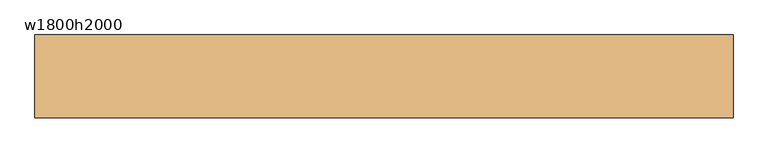
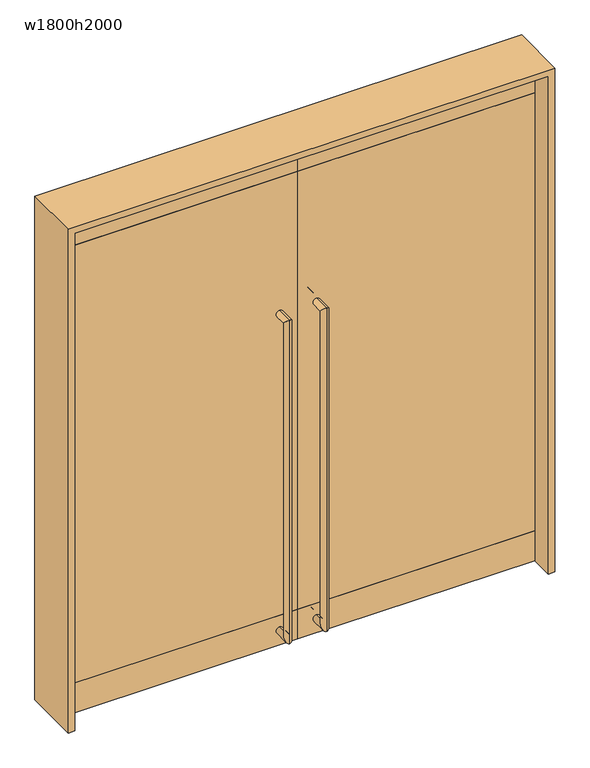
"""IFC4 building model written with IfcOpenShell, lengths in millimetres: door geometry, w1800h2000."""

from ifc_helpers import new_model, si_unit, frame, origin, origin_with_axes, place, context, project, spatial, polyline, circle_curve, ellipse_curve, outline, extrude, source, transform, mapped, element, save
from ifc_brep_helpers import plane_surface, cylinder_surface, advanced_brep


def w1800h2000_ad426c29(model_context):
    return source(origin(), model_context, "Body", "SolidModel", [
        extrude(outline(polyline([(900.0, 20.0), (900.0, -20.0), (0.0, -20.0), (0.0, 20.0), (900.0, 20.0)])), frame((0.0, 0.0, 120.0), z_axis=(0.0, 0.0, 1.0), x_axis=(1.0, 0.0, 0.0)), (0.0, 0.0, 1.0), 1760.0),
        extrude(outline(polyline([(900.0, -20.0), (0.0, -20.0), (0.0, 20.0), (900.0, 20.0), (900.0, -20.0)])), frame((0.0, 0.0, 1880.0), z_axis=(0.0, 0.0, 1.0), x_axis=(1.0, 0.0, 0.0)), (0.0, 0.0, 1.0), 120.0),
        extrude(outline(polyline([(900.0, -20.0), (0.0, -20.0), (0.0, 20.0), (900.0, 20.0), (900.0, -20.0)])), origin_with_axes(), (0.0, 0.0, 1.0), 120.0),
        extrude(outline(polyline([(0.0, 20.0), (0.0, -20.0), (-900.0, -20.0), (-900.0, 20.0), (0.0, 20.0)])), frame((0.0, 0.0, 120.0), z_axis=(0.0, 0.0, 1.0), x_axis=(1.0, 0.0, 0.0)), (0.0, 0.0, 1.0), 1760.0),
        extrude(outline(polyline([(0.0, -20.0), (-900.0, -20.0), (-900.0, 20.0), (0.0, 20.0), (0.0, -20.0)])), frame((0.0, 0.0, 1880.0), z_axis=(0.0, 0.0, 1.0), x_axis=(1.0, 0.0, 0.0)), (0.0, 0.0, 1.0), 120.0),
        extrude(outline(polyline([(0.0, -20.0), (-900.0, -20.0), (-900.0, 20.0), (0.0, 20.0), (0.0, -20.0)])), origin_with_axes(), (0.0, 0.0, 1.0), 120.0),
        advanced_brep(
        [(70.0, 20.0, 46.5), (70.0, 20.0, 73.5), (70.0, 60.0, 73.5), (70.0, 87.0, 46.5), (70.0, 60.0, 1319.0), (70.0, 87.0, 1346.0), (70.0, 20.0, 1346.0), (70.0, 20.0, 1319.0)],
        [
            (0, 1, circle_curve(frame((70.0, 20.0, 60.0), z_axis=(0.0, -1.0, 0.0), x_axis=(0.0, 0.0, 1.0)), 13.5)),
            (1, 0, circle_curve(frame((70.0, 20.0, 60.0), z_axis=(0.0, -1.0, 0.0), x_axis=(0.0, 0.0, 1.0)), 13.5)),
            (1, 2),
            (2, 3, ellipse_curve(frame((70.0, 73.5, 60.0), z_axis=(0.0, -0.7071067811865474, -0.7071067811865476), x_axis=(0.0, -0.7071067811865478, 0.7071067811865474)), 19.0918831, 13.5)),
            (3, 0),
            (3, 2, ellipse_curve(frame((70.0, 73.5, 60.0), z_axis=(0.0, -0.7071067811865474, -0.7071067811865476), x_axis=(0.0, -0.7071067811865478, 0.7071067811865474)), 19.0918831, 13.5)),
            (2, 4),
            (4, 5, ellipse_curve(frame((70.0, 73.5, 1332.5), z_axis=(0.0, 0.7071067811865477, -0.7071067811865474), x_axis=(0.0, -0.7071067811865472, -0.7071067811865477)), 19.0918831, 13.5)),
            (5, 3),
            (5, 4, ellipse_curve(frame((70.0, 73.5, 1332.5), z_axis=(0.0, 0.7071067811865477, -0.7071067811865474), x_axis=(0.0, -0.7071067811865472, -0.7071067811865477)), 19.0918831, 13.5)),
            (6, 7, circle_curve(frame((70.0, 20.0, 1332.5), z_axis=(0.0, -1.0, 0.0), x_axis=(0.0, 0.0, -1.0)), 13.5)),
            (7, 6, circle_curve(frame((70.0, 20.0, 1332.5), z_axis=(0.0, -1.0, 0.0), x_axis=(0.0, 0.0, -1.0)), 13.5)),
            (4, 7),
            (6, 5),
        ],
        [
            plane_surface(frame((83.5, 20.0, 60.0), z_axis=(0.0, -1.0, 0.0), x_axis=(0.0, 0.0, 1.0))),
            cylinder_surface(frame((70.0, 20.0, 60.0), z_axis=(0.0, -1.0, 0.0), x_axis=(0.0, 0.0, 1.0)), 13.5),
            cylinder_surface(frame((70.0, 73.5, 60.0), z_axis=(0.0, 0.0, -1.0), x_axis=(0.0, -1.0, 0.0)), 13.5),
            plane_surface(frame((83.5, 20.0, 1332.5), z_axis=(0.0, -1.0, 0.0), x_axis=(0.0, 0.0, -1.0))),
            cylinder_surface(frame((70.0, 73.5, 1332.5), z_axis=(0.0, 1.0, 0.0), x_axis=(0.0, 0.0, -1.0)), 13.5),
        ],
        [
            (0, [[1, 2]]),
            (1, [[3, 4, 5, -2]]),
            (1, [[-5, 6, -3, -1]]),
            (2, [[7, 8, 9, -4]]),
            (2, [[-9, 10, -7, -6]]),
            (3, [[11, 12]]),
            (4, [[13, -11, 14, -8]]),
            (4, [[-14, -12, -13, -10]]),
        ],
    ),
        advanced_brep(
        [(70.0, -20.0, 73.5), (70.0, -20.0, 46.5), (70.0, -87.0, 46.5), (70.0, -60.0, 73.5), (70.0, -87.0, 1346.0), (70.0, -60.0, 1319.0), (70.0, -20.0, 1319.0), (70.0, -20.0, 1346.0)],
        [
            (0, 1, circle_curve(frame((70.0, -20.0, 60.0), z_axis=(0.0, 1.0, 0.0), x_axis=(0.0, 0.0, -1.0)), 13.5)),
            (1, 0, circle_curve(frame((70.0, -20.0, 60.0), z_axis=(0.0, 1.0, 0.0), x_axis=(0.0, 0.0, -1.0)), 13.5)),
            (1, 2),
            (2, 3, ellipse_curve(frame((70.0, -73.5, 60.0), z_axis=(0.0, 0.7071067811865474, -0.7071067811865476), x_axis=(0.0, 0.7071067811865478, 0.7071067811865474)), 19.0918831, 13.5)),
            (3, 0),
            (3, 2, ellipse_curve(frame((70.0, -73.5, 60.0), z_axis=(0.0, 0.7071067811865474, -0.7071067811865476), x_axis=(0.0, 0.7071067811865478, 0.7071067811865474)), 19.0918831, 13.5)),
            (2, 4),
            (4, 5, ellipse_curve(frame((70.0, -73.5, 1332.5), z_axis=(0.0, -0.7071067811865477, -0.7071067811865474), x_axis=(0.0, 0.7071067811865472, -0.7071067811865477)), 19.0918831, 13.5)),
            (5, 3),
            (5, 4, ellipse_curve(frame((70.0, -73.5, 1332.5), z_axis=(0.0, -0.7071067811865477, -0.7071067811865474), x_axis=(0.0, 0.7071067811865472, -0.7071067811865477)), 19.0918831, 13.5)),
            (6, 7, circle_curve(frame((70.0, -20.0, 1332.5), z_axis=(0.0, 1.0, 0.0), x_axis=(0.0, 0.0, 1.0)), 13.5)),
            (7, 6, circle_curve(frame((70.0, -20.0, 1332.5), z_axis=(0.0, 1.0, 0.0), x_axis=(0.0, 0.0, 1.0)), 13.5)),
            (4, 7),
            (6, 5),
        ],
        [
            plane_surface(frame((83.5, -20.0, 60.0), z_axis=(0.0, 1.0, 0.0), x_axis=(0.0, 0.0, -1.0))),
            cylinder_surface(frame((70.0, -20.0, 60.0), z_axis=(0.0, 1.0, 0.0), x_axis=(0.0, 0.0, -1.0)), 13.5),
            cylinder_surface(frame((70.0, -73.5, 60.0), z_axis=(0.0, 0.0, -1.0), x_axis=(0.0, -1.0, 0.0)), 13.5),
            plane_surface(frame((83.5, -20.0, 1332.5), z_axis=(0.0, 1.0, 0.0), x_axis=(0.0, 0.0, 1.0))),
            cylinder_surface(frame((70.0, -73.5, 1332.5), z_axis=(0.0, -1.0, 0.0), x_axis=(0.0, 0.0, 1.0)), 13.5),
        ],
        [
            (0, [[1, 2]]),
            (1, [[3, 4, 5, -2]]),
            (1, [[-5, 6, -3, -1]]),
            (2, [[7, 8, 9, -4]]),
            (2, [[-9, 10, -7, -6]]),
            (3, [[11, 12]]),
            (4, [[13, -11, 14, -8]]),
            (4, [[-14, -12, -13, -10]]),
        ],
    ),
        advanced_brep(
        [(-70.0, 20.0, 46.5), (-70.0, 20.0, 73.5), (-70.0, 87.0, 46.5), (-70.0, 60.0, 73.5), (-70.0, 87.0, 1346.0), (-70.0, 60.0, 1319.0), (-70.0, 20.0, 1346.0), (-70.0, 20.0, 1319.0)],
        [
            (0, 1, circle_curve(frame((-70.0, 20.0, 60.0), z_axis=(0.0, -1.0, 0.0), x_axis=(0.0, 0.0, 1.0)), 13.5)),
            (1, 0, circle_curve(frame((-70.0, 20.0, 60.0), z_axis=(0.0, -1.0, 0.0), x_axis=(0.0, 0.0, 1.0)), 13.5)),
            (0, 2),
            (2, 3, ellipse_curve(frame((-70.0, 73.5, 60.0), z_axis=(0.0, -0.7071067811865474, -0.7071067811865476), x_axis=(0.0, -0.7071067811865478, 0.7071067811865474)), 19.0918831, 13.5)),
            (3, 1),
            (3, 2, ellipse_curve(frame((-70.0, 73.5, 60.0), z_axis=(0.0, -0.7071067811865474, -0.7071067811865476), x_axis=(0.0, -0.7071067811865478, 0.7071067811865474)), 19.0918831, 13.5)),
            (2, 4),
            (4, 5, ellipse_curve(frame((-70.0, 73.5, 1332.5), z_axis=(0.0, 0.7071067811865477, -0.7071067811865474), x_axis=(0.0, -0.7071067811865472, -0.7071067811865477)), 19.0918831, 13.5)),
            (5, 3),
            (5, 4, ellipse_curve(frame((-70.0, 73.5, 1332.5), z_axis=(0.0, 0.7071067811865477, -0.7071067811865474), x_axis=(0.0, -0.7071067811865472, -0.7071067811865477)), 19.0918831, 13.5)),
            (6, 7, circle_curve(frame((-70.0, 20.0, 1332.5), z_axis=(0.0, -1.0, 0.0), x_axis=(0.0, 0.0, -1.0)), 13.5)),
            (7, 6, circle_curve(frame((-70.0, 20.0, 1332.5), z_axis=(0.0, -1.0, 0.0), x_axis=(0.0, 0.0, -1.0)), 13.5)),
            (4, 6),
            (7, 5),
        ],
        [
            plane_surface(frame((-83.5, 20.0, 60.0), z_axis=(0.0, -1.0, 0.0), x_axis=(0.0, 0.0, 1.0))),
            cylinder_surface(frame((-70.0, 20.0, 60.0), z_axis=(0.0, -1.0, 0.0), x_axis=(0.0, 0.0, 1.0)), 13.5),
            cylinder_surface(frame((-70.0, 73.5, 60.0), z_axis=(0.0, 0.0, -1.0), x_axis=(0.0, -1.0, 0.0)), 13.5),
            plane_surface(frame((-83.5, 20.0, 1332.5), z_axis=(0.0, -1.0, 0.0), x_axis=(0.0, 0.0, -1.0))),
            cylinder_surface(frame((-70.0, 73.5, 1332.5), z_axis=(0.0, 1.0, 0.0), x_axis=(0.0, 0.0, -1.0)), 13.5),
        ],
        [
            (0, [[1, 2]]),
            (1, [[-1, 3, 4, 5]]),
            (1, [[-2, -5, 6, -3]]),
            (2, [[-4, 7, 8, 9]]),
            (2, [[-6, -9, 10, -7]]),
            (3, [[11, 12]]),
            (4, [[-8, 13, -12, 14]]),
            (4, [[-10, -14, -11, -13]]),
        ],
    ),
        advanced_brep(
        [(-70.0, -20.0, 73.5), (-70.0, -20.0, 46.5), (-70.0, -60.0, 73.5), (-70.0, -87.0, 46.5), (-70.0, -60.0, 1319.0), (-70.0, -87.0, 1346.0), (-70.0, -20.0, 1319.0), (-70.0, -20.0, 1346.0)],
        [
            (0, 1, circle_curve(frame((-70.0, -20.0, 60.0), z_axis=(0.0, 1.0, 0.0), x_axis=(0.0, 0.0, -1.0)), 13.5)),
            (1, 0, circle_curve(frame((-70.0, -20.0, 60.0), z_axis=(0.0, 1.0, 0.0), x_axis=(0.0, 0.0, -1.0)), 13.5)),
            (0, 2),
            (2, 3, ellipse_curve(frame((-70.0, -73.5, 60.0), z_axis=(0.0, 0.7071067811865474, -0.7071067811865476), x_axis=(0.0, 0.7071067811865478, 0.7071067811865474)), 19.0918831, 13.5)),
            (3, 1),
            (3, 2, ellipse_curve(frame((-70.0, -73.5, 60.0), z_axis=(0.0, 0.7071067811865474, -0.7071067811865476), x_axis=(0.0, 0.7071067811865478, 0.7071067811865474)), 19.0918831, 13.5)),
            (2, 4),
            (4, 5, ellipse_curve(frame((-70.0, -73.5, 1332.5), z_axis=(0.0, -0.7071067811865477, -0.7071067811865474), x_axis=(0.0, 0.7071067811865472, -0.7071067811865477)), 19.0918831, 13.5)),
            (5, 3),
            (5, 4, ellipse_curve(frame((-70.0, -73.5, 1332.5), z_axis=(0.0, -0.7071067811865477, -0.7071067811865474), x_axis=(0.0, 0.7071067811865472, -0.7071067811865477)), 19.0918831, 13.5)),
            (6, 7, circle_curve(frame((-70.0, -20.0, 1332.5), z_axis=(0.0, 1.0, 0.0), x_axis=(0.0, 0.0, 1.0)), 13.5)),
            (7, 6, circle_curve(frame((-70.0, -20.0, 1332.5), z_axis=(0.0, 1.0, 0.0), x_axis=(0.0, 0.0, 1.0)), 13.5)),
            (4, 6),
            (7, 5),
        ],
        [
            plane_surface(frame((-83.5, -20.0, 60.0), z_axis=(0.0, 1.0, 0.0), x_axis=(0.0, 0.0, -1.0))),
            cylinder_surface(frame((-70.0, -20.0, 60.0), z_axis=(0.0, 1.0, 0.0), x_axis=(0.0, 0.0, -1.0)), 13.5),
            cylinder_surface(frame((-70.0, -73.5, 60.0), z_axis=(0.0, 0.0, -1.0), x_axis=(0.0, -1.0, 0.0)), 13.5),
            plane_surface(frame((-83.5, -20.0, 1332.5), z_axis=(0.0, 1.0, 0.0), x_axis=(0.0, 0.0, 1.0))),
            cylinder_surface(frame((-70.0, -73.5, 1332.5), z_axis=(0.0, -1.0, 0.0), x_axis=(0.0, 0.0, 1.0)), 13.5),
        ],
        [
            (0, [[1, 2]]),
            (1, [[-1, 3, 4, 5]]),
            (1, [[-2, -5, 6, -3]]),
            (2, [[-4, 7, 8, 9]]),
            (2, [[-6, -9, 10, -7]]),
            (3, [[11, 12]]),
            (4, [[-8, 13, -12, 14]]),
            (4, [[-10, -14, -11, -13]]),
        ],
    ),
        extrude(outline(polyline([(0.0, -925.0), (0.0, -900.0), (2000.0, -900.0), (2000.0, 900.0), (0.0, 900.0), (0.0, 925.0), (2025.0, 925.0), (2025.0, -925.0), (0.0, -925.0)])), frame((0.0, -110.0, 0.0), z_axis=(0.0, 1.0, 0.0), x_axis=(0.0, 0.0, 1.0)), (0.0, 0.0, 1.0), 220.0),
    ])


if __name__ == "__main__":
    model = new_model("IFC4")
    model_context = context("Model", 3, world=origin())
    ifc_project = project(units=[si_unit("LENGTHUNIT", "METRE", prefix="MILLI")], contexts=[model_context])
    site = spatial("IfcSite", under=ifc_project)
    building = spatial("IfcBuilding", under=site)
    placement = place(None, origin())
    w1800h2000_shape = w1800h2000_ad426c29(model_context)
    element("IfcDoor", 1, ObjectType="w1800h2000", at=placement, inside=building, context=model_context, shape_type="MappedRepresentation", body=[
        mapped(w1800h2000_shape, transform((0.0, 0.0, 0.0), x_axis=(1.0, 0.0, 0.0), y_axis=(0.0, 1.0, 0.0), z_axis=(0.0, 0.0, 1.0))),
    ])
    save(model, "model.ifc")
